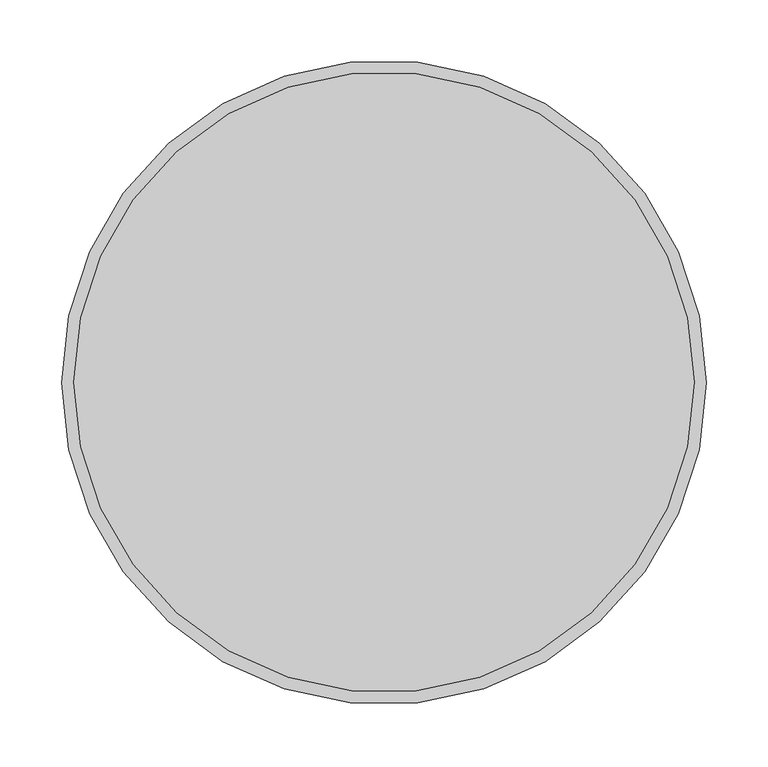
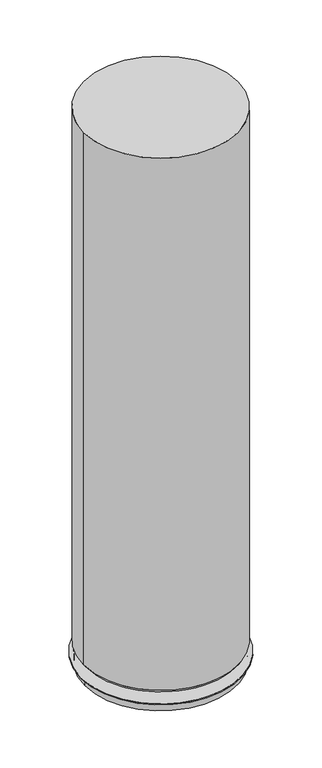
"""IFC4 building model written with IfcOpenShell, lengths in millimetres: furniture geometry."""

from ifc_helpers import new_model, si_unit, frame, origin, place, context, project, spatial, polyline, circle_curve, source, transform, mapped, element, save
from ifc_brep_helpers import plane_surface, cylinder_surface, revolved_surface, advanced_brep


def furniture_7099fe3b(model_context):
    return source(origin(), model_context, "Body", "AdvancedBrep", [
        advanced_brep(
        [(560.6054133, 44.45, 33.0000002), (1080.5434133, 44.45, 33.0000002), (669.3492395, 94.0870673, 33.0000002), (647.6997067, 94.0870673, 33.0000002), (831.3991797, 211.0294905, 33.0000002), (809.7496468, 211.0294905, 33.0000002), (993.0988968, 93.7208599, 33.0000002), (971.4493639, 93.7208599, 33.0000002), (931.6970055, -96.0262239, 33.0000002), (910.0474727, -96.0262239, 33.0000002), (731.4391224, -96.4518387, 33.0000002), (709.7895895, -96.4518387, 33.0000002), (560.6054133, 44.45, 30.0000016), (1080.5434133, 44.45, 30.0000016), (574.2004548, 44.45, 30.0000016), (1066.9483717, 44.45, 30.0000016), (574.2004548, 44.45, 0.0), (1066.9483717, 44.45, 0.0), (647.6997067, 94.0870673, 64.0000043), (669.3492395, 94.0870673, 64.0000043), (809.7496468, 211.0294905, 64.0000043), (831.3991797, 211.0294905, 64.0000043), (971.4493639, 93.7208599, 64.0000043), (993.0988968, 93.7208599, 64.0000043), (910.0474727, -96.0262239, 64.0000043), (931.6970055, -96.0262239, 64.0000043), (709.7895895, -96.4518387, 64.0000043), (731.4391224, -96.4518387, 64.0000043)],
        [
            (0, 1, circle_curve(frame((820.5744133, 44.45, 33.0000002), z_axis=(0.0, 0.0, 1.0), x_axis=(1.0, 0.0, 0.0)), 259.969)),
            (1, 0, circle_curve(frame((820.5744133, 44.45, 33.0000002), z_axis=(0.0, 0.0, 1.0), x_axis=(1.0, 0.0, 0.0)), 259.969)),
            (2, 3, circle_curve(frame((658.5244731, 94.0870673, 33.0000002), z_axis=(0.0, 0.0, -1.0), x_axis=(1.0, 0.0, 0.0)), 10.8247664)),
            (3, 2, circle_curve(frame((658.5244731, 94.0870673, 33.0000002), z_axis=(0.0, 0.0, -1.0), x_axis=(1.0, 0.0, 0.0)), 10.8247664)),
            (4, 5, circle_curve(frame((820.5744133, 211.0294905, 33.0000002), z_axis=(0.0, 0.0, -1.0), x_axis=(1.0, 0.0, 0.0)), 10.8247664)),
            (5, 4, circle_curve(frame((820.5744133, 211.0294905, 33.0000002), z_axis=(0.0, 0.0, -1.0), x_axis=(1.0, 0.0, 0.0)), 10.8247664)),
            (6, 7, circle_curve(frame((982.2741304, 93.7208599, 33.0000002), z_axis=(0.0, 0.0, -1.0), x_axis=(1.0, 0.0, 0.0)), 10.8247664)),
            (7, 6, circle_curve(frame((982.2741304, 93.7208599, 33.0000002), z_axis=(0.0, 0.0, -1.0), x_axis=(1.0, 0.0, 0.0)), 10.8247664)),
            (8, 9, circle_curve(frame((920.8722391, -96.0262239, 33.0000002), z_axis=(0.0, 0.0, -1.0), x_axis=(1.0, 0.0, 0.0)), 10.8247664)),
            (9, 8, circle_curve(frame((920.8722391, -96.0262239, 33.0000002), z_axis=(0.0, 0.0, -1.0), x_axis=(1.0, 0.0, 0.0)), 10.8247664)),
            (10, 11, circle_curve(frame((720.614356, -96.4518387, 33.0000002), z_axis=(0.0, 0.0, -1.0), x_axis=(1.0, 0.0, 0.0)), 10.8247664)),
            (11, 10, circle_curve(frame((720.614356, -96.4518387, 33.0000002), z_axis=(0.0, 0.0, -1.0), x_axis=(1.0, 0.0, 0.0)), 10.8247664)),
            (12, 13, circle_curve(frame((820.5744133, 44.45, 30.0000016), z_axis=(0.0, 0.0, -1.0), x_axis=(1.0, 0.0, 0.0)), 259.969)),
            (13, 12, circle_curve(frame((820.5744133, 44.45, 30.0000016), z_axis=(0.0, 0.0, -1.0), x_axis=(1.0, 0.0, 0.0)), 259.969)),
            (14, 15, circle_curve(frame((820.5744133, 44.45, 30.0000016), z_axis=(0.0, 0.0, 1.0), x_axis=(1.0, 0.0, 0.0)), 246.3739585)),
            (15, 14, circle_curve(frame((820.5744133, 44.45, 30.0000016), z_axis=(0.0, 0.0, 1.0), x_axis=(1.0, 0.0, 0.0)), 246.3739585)),
            (0, 12),
            (13, 1),
            (16, 17, circle_curve(frame((820.5744133, 44.45, 0.0), z_axis=(0.0, 0.0, -1.0), x_axis=(1.0, 0.0, 0.0)), 246.3739585)),
            (17, 16, circle_curve(frame((820.5744133, 44.45, 0.0), z_axis=(0.0, 0.0, -1.0), x_axis=(1.0, 0.0, 0.0)), 246.3739585)),
            (17, 15),
            (14, 16),
            (18, 19, circle_curve(frame((658.5244731, 94.0870673, 64.0000043), z_axis=(0.0, 0.0, 1.0), x_axis=(1.0, 0.0, 0.0)), 10.8247664)),
            (19, 18, circle_curve(frame((658.5244731, 94.0870673, 64.0000043), z_axis=(0.0, 0.0, 1.0), x_axis=(1.0, 0.0, 0.0)), 10.8247664)),
            (20, 21, circle_curve(frame((820.5744133, 211.0294905, 64.0000043), z_axis=(0.0, 0.0, 1.0), x_axis=(1.0, 0.0, 0.0)), 10.8247664)),
            (21, 20, circle_curve(frame((820.5744133, 211.0294905, 64.0000043), z_axis=(0.0, 0.0, 1.0), x_axis=(1.0, 0.0, 0.0)), 10.8247664)),
            (22, 23, circle_curve(frame((982.2741304, 93.7208599, 64.0000043), z_axis=(0.0, 0.0, 1.0), x_axis=(1.0, 0.0, 0.0)), 10.8247664)),
            (23, 22, circle_curve(frame((982.2741304, 93.7208599, 64.0000043), z_axis=(0.0, 0.0, 1.0), x_axis=(1.0, 0.0, 0.0)), 10.8247664)),
            (24, 25, circle_curve(frame((920.8722391, -96.0262239, 64.0000043), z_axis=(0.0, 0.0, 1.0), x_axis=(1.0, 0.0, 0.0)), 10.8247664)),
            (25, 24, circle_curve(frame((920.8722391, -96.0262239, 64.0000043), z_axis=(0.0, 0.0, 1.0), x_axis=(1.0, 0.0, 0.0)), 10.8247664)),
            (26, 27, circle_curve(frame((720.614356, -96.4518387, 64.0000043), z_axis=(0.0, 0.0, 1.0), x_axis=(1.0, 0.0, 0.0)), 10.8247664)),
            (27, 26, circle_curve(frame((720.614356, -96.4518387, 64.0000043), z_axis=(0.0, 0.0, 1.0), x_axis=(1.0, 0.0, 0.0)), 10.8247664)),
            (18, 3),
            (2, 19),
            (20, 5),
            (4, 21),
            (22, 7),
            (6, 23),
            (24, 9),
            (8, 25),
            (26, 11),
            (10, 27),
        ],
        [
            plane_surface(frame((1080.5434133, 44.45, 33.0000002), z_axis=(0.0, 0.0, 1.0), x_axis=(0.0, 1.0, 0.0))),
            plane_surface(frame((1080.5434133, 44.45, 30.0000016), z_axis=(0.0, 0.0, -1.0), x_axis=(0.0, -1.0, 0.0))),
            cylinder_surface(frame((820.5744133, 44.45, 30.0000016), z_axis=(0.0, 0.0, 1.0), x_axis=(1.0, 0.0, 0.0)), 259.969),
            plane_surface(frame((1066.9483717, 44.45, 0.0), z_axis=(0.0, 0.0, -1.0), x_axis=(0.0, -1.0, 0.0))),
            cylinder_surface(frame((820.5744133, 44.45, 0.0), z_axis=(0.0, 0.0, 1.0), x_axis=(1.0, 0.0, 0.0)), 246.3739585),
            plane_surface(frame((669.3492395, 94.0870673, 64.0000043), z_axis=(0.0, 0.0, 1.0), x_axis=(0.0, 1.0, 0.0))),
            cylinder_surface(frame((658.5244731, 94.0870673, 33.0000002), z_axis=(0.0, 0.0, 1.0), x_axis=(1.0, 0.0, 0.0)), 10.8247664),
            cylinder_surface(frame((820.5744133, 211.0294905, 0.0), z_axis=(0.0, 0.0, 1.0), x_axis=(1.0, 0.0, 0.0)), 10.8247664),
            cylinder_surface(frame((982.2741304, 93.7208599, 0.0), z_axis=(0.0, 0.0, 1.0), x_axis=(1.0, 0.0, 0.0)), 10.8247664),
            cylinder_surface(frame((920.8722391, -96.0262239, 0.0), z_axis=(0.0, 0.0, 1.0), x_axis=(1.0, 0.0, 0.0)), 10.8247664),
            cylinder_surface(frame((720.614356, -96.4518387, 0.0), z_axis=(0.0, 0.0, 1.0), x_axis=(1.0, 0.0, 0.0)), 10.8247664),
        ],
        [
            (0, [[1, 2], [3, 4], [5, 6], [7, 8], [9, 10], [11, 12]]),
            (1, [[13, 14], [15, 16]]),
            (2, [[-1, 17, -14, 18]]),
            (2, [[-2, -18, -13, -17]]),
            (3, [[19, 20]]),
            (4, [[-20, 21, -15, 22]]),
            (4, [[-19, -22, -16, -21]]),
            (5, [[23, 24]]),
            (5, [[25, 26]]),
            (5, [[27, 28]]),
            (5, [[29, 30]]),
            (5, [[31, 32]]),
            (6, [[-23, 33, -3, 34]]),
            (6, [[-24, -34, -4, -33]]),
            (7, [[-25, 35, -5, 36]]),
            (7, [[-26, -36, -6, -35]]),
            (8, [[-27, 37, -7, 38]]),
            (8, [[-28, -38, -8, -37]]),
            (9, [[-29, 39, -9, 40]]),
            (9, [[-30, -40, -10, -39]]),
            (10, [[-31, 41, -11, 42]]),
            (10, [[-32, -42, -12, -41]]),
        ],
    ),
        advanced_brep(
        [(570.2842955, 44.45, 1899.9398437), (1070.864531, 44.45, 1899.9398437), (570.2842955, 44.45, 72.8366515), (1070.864531, 44.45, 72.8366515), (575.8522231, 44.45, 64.0000043), (1065.2966034, 44.45, 64.0000043)],
        [
            (0, 1, circle_curve(frame((820.5744133, 44.45, 1899.9398437), z_axis=(0.0, 0.0, 1.0), x_axis=(0.0, -1.0, 0.0)), 250.2901177)),
            (1, 0, circle_curve(frame((820.5744133, 44.45, 1899.9398437), z_axis=(0.0, 0.0, 1.0), x_axis=(0.0, 1.0, 0.0)), 250.2901177)),
            (0, 2),
            (2, 3, circle_curve(frame((820.5744133, 44.45, 72.8366515), z_axis=(0.0, 0.0, 1.0), x_axis=(0.0, -1.0, 0.0)), 250.2901177)),
            (3, 1),
            (3, 2, circle_curve(frame((820.5744133, 44.45, 72.8366515), z_axis=(0.0, 0.0, 1.0), x_axis=(0.0, 1.0, 0.0)), 250.2901177)),
            (4, 5, circle_curve(frame((820.5744133, 44.45, 64.0000043), z_axis=(0.0, 0.0, -1.0), x_axis=(1.0, 0.0, 0.0)), 244.7221901)),
            (5, 4, circle_curve(frame((820.5744133, 44.45, 64.0000043), z_axis=(0.0, 0.0, -1.0), x_axis=(-1.0, 0.0, 0.0)), 244.7221901)),
            (5, 3),
            (2, 4),
        ],
        [
            plane_surface(frame((820.5744133, 44.45, 1899.9398437), z_axis=(0.0, 0.0, 1.0), x_axis=(0.0, -1.0, 0.0))),
            cylinder_surface(frame((820.5744133, 44.45, 72.8366515), z_axis=(0.0, 0.0, 1.0), x_axis=(0.0, -1.0, 0.0)), 250.2901177),
            cylinder_surface(frame((820.5744133, 44.45, 72.8366515), z_axis=(0.0, 0.0, 1.0), x_axis=(0.0, 1.0, 0.0)), 250.2901177),
            plane_surface(frame((820.5744133, 44.45, 64.0000043), z_axis=(0.0, 0.0, -1.0), x_axis=(0.0, -1.0, 0.0))),
            revolved_surface(polyline([(1065.2966034173432, 44.45, 64.0000043), (1070.864531, 44.45, 72.83665150000002)]), (820.5744133, 44.45, -324.3893244), (0.0, 0.0, 1.0)),
            revolved_surface(polyline([(575.8522230848814, 44.45, 64.0000043), (570.2842955, 44.45, 72.83665150000002)]), (820.5744133, 44.45, -324.3893244), (0.0, 0.0, 1.0)),
        ],
        [
            (0, [[1, 2]]),
            (1, [[-1, 3, 4, 5]]),
            (2, [[-2, -5, 6, -3]]),
            (3, [[7, 8]]),
            (4, [[-8, 9, -4, 10]]),
            (5, [[-7, -10, -6, -9]]),
        ],
    ),
    ])


if __name__ == "__main__":
    model = new_model("IFC4")
    model_context = context("Model", 3, world=origin())
    ifc_project = project(units=[si_unit("LENGTHUNIT", "METRE", prefix="MILLI")], contexts=[model_context])
    site = spatial("IfcSite", under=ifc_project)
    building = spatial("IfcBuilding", under=site)
    placement = place(None, origin())
    furniture_shape = furniture_7099fe3b(model_context)
    element("IfcFurniture", 1, at=placement, inside=building, context=model_context, shape_type="MappedRepresentation", body=[
        mapped(furniture_shape, transform((0.0, 0.0, 0.0), x_axis=(1.0, 0.0, 0.0), y_axis=(0.0, 1.0, 0.0), z_axis=(0.0, 0.0, 1.0))),
    ])
    save(model, "model.ifc")
